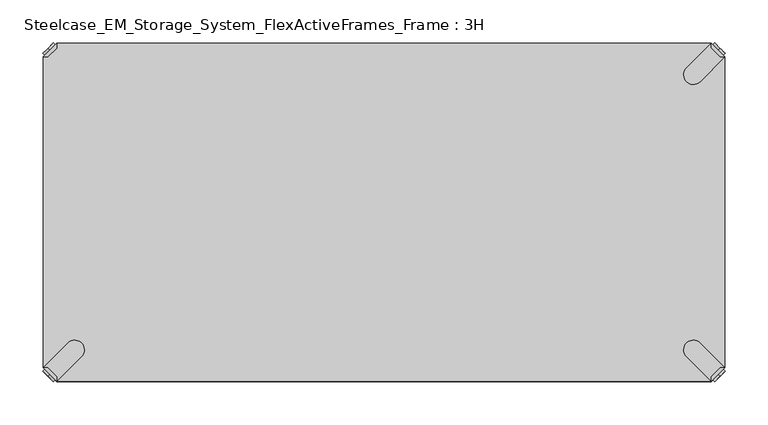
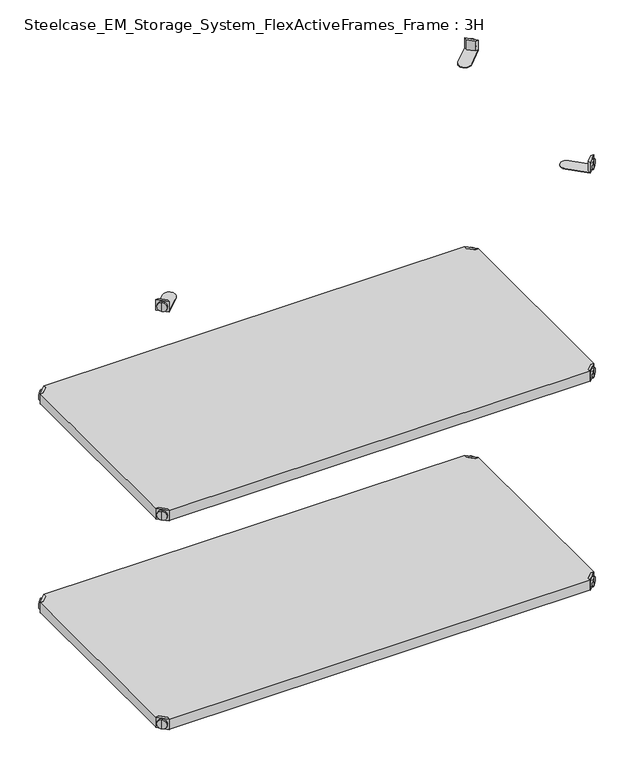
"""IFC4 building model written with IfcOpenShell, lengths in millimetres: furniture geometry, Steelcase_EM_Storage_System_FlexActiveFrames_Frame : 3H."""

from ifc_helpers import new_model, si_unit, frame, origin, place, context, project, spatial, polyline, circle_curve, outline, extrude, source, transform, mapped, element, save
from ifc_brep_helpers import plane_surface, cylinder_surface, advanced_brep


def steelcase_em_storage_system_flexactiveframes_frame_3h_38473c17(model_context):
    return source(origin(), model_context, "Body", "SolidModel", [
        advanced_brep(
        [(789.0398449, -10.9601551, 498.5), (789.0398449, -10.9601551, 507.0), (789.0398449, -10.9601551, 515.5), (791.1611652, -8.8388348, 498.5), (791.1611652, -8.8388348, 515.5), (791.1611652, -8.8388348, 507.0)],
        [
            (0, 1),
            (1, 2),
            (2, 0, circle_curve(frame((789.0398449, -10.9601551, 507.0), z_axis=(-0.7071067811865556, -0.7071067811865395, 0.0), x_axis=(0.0, 0.0, 1.0)), 8.5)),
            (0, 2, circle_curve(frame((789.0398449, -10.9601551, 507.0), z_axis=(-0.7071067811865556, -0.7071067811865395, 0.0), x_axis=(0.0, 0.0, 1.0)), 8.5)),
            (3, 0),
            (2, 4),
            (4, 3, circle_curve(frame((791.1611652, -8.8388348, 507.0), z_axis=(-0.7071067811865556, -0.7071067811865395, 0.0), x_axis=(0.0, 0.0, 1.0)), 8.5)),
            (3, 4, circle_curve(frame((791.1611652, -8.8388348, 507.0), z_axis=(-0.7071067811865556, -0.7071067811865395, 0.0), x_axis=(0.0, 0.0, 1.0)), 8.5)),
            (5, 3),
            (4, 5),
        ],
        [
            plane_surface(frame((789.0398449, -10.9601551, 507.0), z_axis=(-0.7071067811865552, -0.7071067811865399, 0.0), x_axis=(0.0, 0.0, 1.0))),
            cylinder_surface(frame((791.1611652, -8.8388348, 507.0), z_axis=(0.7071067811865556, 0.7071067811865395, 0.0), x_axis=(0.0, 0.0, 1.0)), 8.5),
            plane_surface(frame((791.1611652, -8.8388348, 507.0), z_axis=(0.7071067811865552, 0.7071067811865399, 0.0), x_axis=(0.0, 0.0, 1.0))),
        ],
        [
            (0, [[1, 2, 3]]),
            (0, [[-2, -1, 4]]),
            (1, [[5, -3, 6, 7]]),
            (1, [[-6, -4, -5, 8]]),
            (2, [[9, -7, 10]]),
            (2, [[-10, -8, -9]]),
        ],
    ),
        advanced_brep(
        [(781.0796898, -3.0, 517.0), (781.0796898, -8.6568542, 517.0), (791.3431458, -18.9203102, 517.0), (797.0, -18.9203102, 517.0), (797.0, -18.9203102, 498.0), (797.0, -18.9203102, 497.0), (781.0796898, -3.0, 497.0), (781.0796898, -3.0, 498.0), (781.0796898, -8.6568542, 498.0), (791.3431458, -18.9203102, 498.0), (752.2702923, -31.8093975, 498.0), (768.1906025, -47.7297077, 498.0), (768.1906025, -47.7297077, 497.0), (752.2702923, -31.8093975, 497.0)],
        [
            (0, 1),
            (1, 2),
            (2, 3),
            (3, 0),
            (3, 4),
            (4, 5),
            (5, 6),
            (6, 7),
            (7, 0),
            (1, 8),
            (8, 9),
            (9, 2),
            (7, 8),
            (9, 4),
            (7, 10),
            (10, 11, circle_curve(frame((760.2304474, -39.7695526, 498.0), z_axis=(0.0, 0.0, 1.0), x_axis=(-1.0, 0.0, 0.0)), 11.2573593)),
            (11, 4),
            (5, 12),
            (12, 13, circle_curve(frame((760.2304474, -39.7695526, 497.0), z_axis=(0.0, 0.0, -1.0), x_axis=(-1.0, 0.0, 0.0)), 11.2573593)),
            (13, 6),
            (11, 12),
            (10, 13),
        ],
        [
            plane_surface(frame((838.8756299, -60.7959401, 517.0), z_axis=(0.0, 0.0, 1.0000000000000002), x_axis=(0.7071067811865465, -0.7071067811865487, 0.0))),
            plane_surface(frame((781.0796898, -3.0, 517.0), z_axis=(0.7071067811865487, 0.7071067811865465, 0.0), x_axis=(0.0, 0.0, -1.0))),
            plane_surface(frame((791.3431458, -18.9203102, 517.0), z_axis=(-0.7071067811865573, -0.7071067811865377, 0.0), x_axis=(0.0, 0.0, -1.0))),
            plane_surface(frame((781.0796898, -8.6568542, 517.0), z_axis=(-1.0, 0.0, 0.0), x_axis=(0.0, 0.0, -1.0))),
            plane_surface(frame((797.0, -18.9203102, 517.0), z_axis=(0.0, -1.0, 0.0), x_axis=(0.0, 0.0, -1.0))),
            plane_surface(frame((797.0, -18.9203102, 498.0), z_axis=(0.0, 0.0, 1.0), x_axis=(0.7071067811865392, -0.7071067811865558, 0.0))),
            plane_surface(frame((797.0, -18.9203102, 497.0), z_axis=(0.0, 0.0, -1.0), x_axis=(-0.7071067811865392, 0.7071067811865558, 0.0))),
            plane_surface(frame((797.0, -18.9203102, 498.0), z_axis=(0.7071067811865399, -0.7071067811865552, 0.0), x_axis=(0.0, 0.0, -1.0))),
            cylinder_surface(frame((760.2304474, -39.7695526, 497.0), z_axis=(0.0, 0.0, 1.0), x_axis=(-1.0, 0.0, 0.0)), 11.2573593),
            plane_surface(frame((752.2702923, -31.8093975, 498.0), z_axis=(-0.7071067811865388, 0.7071067811865563, 0.0), x_axis=(0.0, 0.0, -1.0))),
        ],
        [
            (0, [[1, 2, 3, 4]]),
            (1, [[5, 6, 7, 8, 9, -4]]),
            (2, [[10, 11, 12, -2]]),
            (3, [[-9, 13, -10, -1]]),
            (4, [[-12, 14, -5, -3]]),
            (5, [[-14, -11, -13, 15, 16, 17]]),
            (6, [[-7, 18, 19, 20]]),
            (7, [[21, -18, -6, -17]]),
            (8, [[22, -19, -21, -16]]),
            (9, [[-8, -20, -22, -15]]),
        ],
    ),
        advanced_brep(
        [(789.0398449, -389.0398449, 498.5), (789.0398449, -389.0398449, 515.5), (789.0398449, -389.0398449, 507.0), (791.1611652, -391.1611652, 498.5), (791.1611652, -391.1611652, 515.5), (791.1611652, -391.1611652, 507.0)],
        [
            (0, 1, circle_curve(frame((789.0398449, -389.0398449, 507.0), z_axis=(-0.7071067811865509, 0.7071067811865441, 0.0), x_axis=(0.0, 0.0, 1.0)), 8.5)),
            (1, 2),
            (2, 0),
            (1, 0, circle_curve(frame((789.0398449, -389.0398449, 507.0), z_axis=(-0.7071067811865509, 0.7071067811865441, 0.0), x_axis=(0.0, 0.0, 1.0)), 8.5)),
            (3, 4, circle_curve(frame((791.1611652, -391.1611652, 507.0), z_axis=(-0.7071067811865509, 0.7071067811865441, 0.0), x_axis=(0.0, 0.0, 1.0)), 8.5)),
            (4, 1),
            (0, 3),
            (4, 3, circle_curve(frame((791.1611652, -391.1611652, 507.0), z_axis=(-0.7071067811865509, 0.7071067811865441, 0.0), x_axis=(0.0, 0.0, 1.0)), 8.5)),
            (5, 4),
            (3, 5),
        ],
        [
            plane_surface(frame((789.0398449, -389.0398449, 507.0), z_axis=(-0.7071067811865506, 0.7071067811865446, 0.0), x_axis=(0.0, 0.0, 1.0))),
            cylinder_surface(frame((791.1611652, -391.1611652, 507.0), z_axis=(0.7071067811865509, -0.7071067811865441, 0.0), x_axis=(0.0, 0.0, 1.0)), 8.5),
            plane_surface(frame((791.1611652, -391.1611652, 507.0), z_axis=(0.7071067811865506, -0.7071067811865446, 0.0), x_axis=(0.0, 0.0, 1.0))),
        ],
        [
            (0, [[1, 2, 3]]),
            (0, [[4, -3, -2]]),
            (1, [[5, 6, -1, 7]]),
            (1, [[8, -7, -4, -6]]),
            (2, [[9, -5, 10]]),
            (2, [[-10, -8, -9]]),
        ],
    ),
        advanced_brep(
        [(781.0796898, -397.0, 517.0), (797.0, -381.0796898, 517.0), (791.3431458, -381.0796898, 517.0), (781.0796898, -391.3431458, 517.0), (781.0796898, -397.0, 498.0), (781.0796898, -397.0, 497.0), (797.0, -381.0796898, 497.0), (797.0, -381.0796898, 498.0), (791.3431458, -381.0796898, 498.0), (781.0796898, -391.3431458, 498.0), (768.1906025, -352.2702923, 498.0), (752.2702923, -368.1906025, 498.0), (752.2702923, -368.1906025, 497.0), (768.1906025, -352.2702923, 497.0)],
        [
            (0, 1),
            (1, 2),
            (2, 3),
            (3, 0),
            (0, 4),
            (4, 5),
            (5, 6),
            (6, 7),
            (7, 1),
            (2, 8),
            (8, 9),
            (9, 3),
            (9, 4),
            (7, 8),
            (7, 10),
            (10, 11, circle_curve(frame((760.2304474, -360.2304474, 498.0), z_axis=(0.0, 0.0, 1.0), x_axis=(-1.0, 0.0, 0.0)), 11.2573593)),
            (11, 4),
            (5, 12),
            (12, 13, circle_curve(frame((760.2304474, -360.2304474, 497.0), z_axis=(0.0, 0.0, -1.0), x_axis=(-1.0, 0.0, 0.0)), 11.2573593)),
            (13, 6),
            (13, 10),
            (12, 11),
        ],
        [
            plane_surface(frame((838.8756299, -339.2040599, 517.0), z_axis=(0.0, 0.0, 1.0000000000000002), x_axis=(0.7071067811865511, 0.707106781186544, 0.0))),
            plane_surface(frame((781.0796898, -397.0, 517.0), z_axis=(0.707106781186544, -0.7071067811865511, 0.0), x_axis=(0.0, 0.0, -1.0))),
            plane_surface(frame((791.3431458, -381.0796898, 517.0), z_axis=(-0.7071067811865527, 0.7071067811865424, 0.0), x_axis=(0.0, 0.0, -1.0))),
            plane_surface(frame((781.0796898, -391.3431458, 517.0), z_axis=(-1.0, 0.0, 0.0), x_axis=(0.0, 0.0, -1.0))),
            plane_surface(frame((797.0, -381.0796898, 517.0), z_axis=(0.0, 1.0, 0.0), x_axis=(0.0, 0.0, -1.0))),
            plane_surface(frame((797.0, -381.0796898, 498.0), z_axis=(0.0, 0.0, 1.0), x_axis=(0.7071067811865439, 0.7071067811865511, 0.0))),
            plane_surface(frame((797.0, -381.0796898, 497.0), z_axis=(0.0, 0.0, -1.0), x_axis=(-0.7071067811865439, -0.7071067811865511, 0.0))),
            plane_surface(frame((797.0, -381.0796898, 498.0), z_axis=(0.7071067811865446, 0.7071067811865506, 0.0), x_axis=(0.0, 0.0, -1.0))),
            cylinder_surface(frame((760.2304474, -360.2304474, 497.0), z_axis=(0.0, 0.0, 1.0), x_axis=(-1.0, 0.0, 0.0)), 11.2573593),
            plane_surface(frame((752.2702923, -368.1906025, 498.0), z_axis=(-0.7071067811865435, -0.7071067811865517, 0.0), x_axis=(0.0, 0.0, -1.0))),
        ],
        [
            (0, [[1, 2, 3, 4]]),
            (1, [[-1, 5, 6, 7, 8, 9]]),
            (2, [[-3, 10, 11, 12]]),
            (3, [[-4, -12, 13, -5]]),
            (4, [[-2, -9, 14, -10]]),
            (5, [[15, 16, 17, -13, -11, -14]]),
            (6, [[18, 19, 20, -7]]),
            (7, [[-15, -8, -20, 21]]),
            (8, [[-16, -21, -19, 22]]),
            (9, [[-17, -22, -18, -6]]),
        ],
    ),
        advanced_brep(
        [(10.9601551, -389.0398449, 498.5), (10.9601551, -389.0398449, 507.0), (10.9601551, -389.0398449, 515.5), (8.8388348, -391.1611652, 498.5), (8.8388348, -391.1611652, 515.5), (8.8388348, -391.1611652, 507.0)],
        [
            (0, 1),
            (1, 2),
            (2, 0, circle_curve(frame((10.9601551, -389.0398449, 507.0), z_axis=(0.7071067811865509, 0.7071067811865441, 0.0), x_axis=(0.0, 0.0, 1.0)), 8.5)),
            (0, 2, circle_curve(frame((10.9601551, -389.0398449, 507.0), z_axis=(0.7071067811865509, 0.7071067811865441, 0.0), x_axis=(0.0, 0.0, 1.0)), 8.5)),
            (3, 0),
            (2, 4),
            (4, 3, circle_curve(frame((8.8388348, -391.1611652, 507.0), z_axis=(0.7071067811865509, 0.7071067811865441, 0.0), x_axis=(0.0, 0.0, 1.0)), 8.5)),
            (3, 4, circle_curve(frame((8.8388348, -391.1611652, 507.0), z_axis=(0.7071067811865509, 0.7071067811865441, 0.0), x_axis=(0.0, 0.0, 1.0)), 8.5)),
            (5, 3),
            (4, 5),
        ],
        [
            plane_surface(frame((10.9601551, -389.0398449, 507.0), z_axis=(0.7071067811865506, 0.7071067811865446, 0.0), x_axis=(0.0, 0.0, 1.0))),
            cylinder_surface(frame((8.8388348, -391.1611652, 507.0), z_axis=(-0.7071067811865509, -0.7071067811865441, 0.0), x_axis=(0.0, 0.0, 1.0)), 8.5),
            plane_surface(frame((8.8388348, -391.1611652, 507.0), z_axis=(-0.7071067811865506, -0.7071067811865446, 0.0), x_axis=(0.0, 0.0, 1.0))),
        ],
        [
            (0, [[1, 2, 3]]),
            (0, [[-2, -1, 4]]),
            (1, [[5, -3, 6, 7]]),
            (1, [[-6, -4, -5, 8]]),
            (2, [[9, -7, 10]]),
            (2, [[-10, -8, -9]]),
        ],
    ),
        advanced_brep(
        [(18.9203102, -397.0, 517.0), (18.9203102, -391.3431458, 517.0), (8.6568542, -381.0796898, 517.0), (3.0, -381.0796898, 517.0), (3.0, -381.0796898, 498.0), (3.0, -381.0796898, 497.0), (18.9203102, -397.0, 497.0), (18.9203102, -397.0, 498.0), (18.9203102, -391.3431458, 498.0), (8.6568542, -381.0796898, 498.0), (47.7297077, -368.1906025, 498.0), (31.8093975, -352.2702923, 498.0), (31.8093975, -352.2702923, 497.0), (47.7297077, -368.1906025, 497.0)],
        [
            (0, 1),
            (1, 2),
            (2, 3),
            (3, 0),
            (3, 4),
            (4, 5),
            (5, 6),
            (6, 7),
            (7, 0),
            (1, 8),
            (8, 9),
            (9, 2),
            (7, 8),
            (9, 4),
            (7, 10),
            (10, 11, circle_curve(frame((39.7695526, -360.2304474, 498.0), z_axis=(0.0, 0.0, 1.0), x_axis=(1.0, 0.0, 0.0)), 11.2573593)),
            (11, 4),
            (5, 12),
            (12, 13, circle_curve(frame((39.7695526, -360.2304474, 497.0), z_axis=(0.0, 0.0, -1.0), x_axis=(1.0, 0.0, 0.0)), 11.2573593)),
            (13, 6),
            (11, 12),
            (10, 13),
        ],
        [
            plane_surface(frame((-38.8756299, -339.2040599, 517.0), z_axis=(0.0, 0.0, 1.0000000000000002), x_axis=(-0.7071067811865511, 0.707106781186544, 0.0))),
            plane_surface(frame((18.9203102, -397.0, 517.0), z_axis=(-0.707106781186544, -0.7071067811865511, 0.0), x_axis=(0.0, 0.0, -1.0))),
            plane_surface(frame((8.6568542, -381.0796898, 517.0), z_axis=(0.7071067811865527, 0.7071067811865424, 0.0), x_axis=(0.0, 0.0, -1.0))),
            plane_surface(frame((18.9203102, -391.3431458, 517.0), z_axis=(1.0, 0.0, 0.0), x_axis=(0.0, 0.0, -1.0))),
            plane_surface(frame((3.0, -381.0796898, 517.0), z_axis=(0.0, 1.0, 0.0), x_axis=(0.0, 0.0, -1.0))),
            plane_surface(frame((3.0, -381.0796898, 498.0), z_axis=(0.0, 0.0, 1.0), x_axis=(-0.7071067811865439, 0.7071067811865511, 0.0))),
            plane_surface(frame((3.0, -381.0796898, 497.0), z_axis=(0.0, 0.0, -1.0), x_axis=(0.7071067811865439, -0.7071067811865511, 0.0))),
            plane_surface(frame((3.0, -381.0796898, 498.0), z_axis=(-0.7071067811865446, 0.7071067811865506, 0.0), x_axis=(0.0, 0.0, -1.0))),
            cylinder_surface(frame((39.7695526, -360.2304474, 497.0), z_axis=(0.0, 0.0, 1.0), x_axis=(1.0, 0.0, 0.0)), 11.2573593),
            plane_surface(frame((47.7297077, -368.1906025, 498.0), z_axis=(0.7071067811865435, -0.7071067811865517, 0.0), x_axis=(0.0, 0.0, -1.0))),
        ],
        [
            (0, [[1, 2, 3, 4]]),
            (1, [[5, 6, 7, 8, 9, -4]]),
            (2, [[10, 11, 12, -2]]),
            (3, [[-9, 13, -10, -1]]),
            (4, [[-12, 14, -5, -3]]),
            (5, [[-14, -11, -13, 15, 16, 17]]),
            (6, [[-7, 18, 19, 20]]),
            (7, [[21, -18, -6, -17]]),
            (8, [[22, -19, -21, -16]]),
            (9, [[-8, -20, -22, -15]]),
        ],
    ),
        advanced_brep(
        [(10.9601551, -10.9601551, 498.5), (10.9601551, -10.9601551, 515.5), (10.9601551, -10.9601551, 507.0), (8.8388348, -8.8388348, 498.5), (8.8388348, -8.8388348, 515.5), (8.8388348, -8.8388348, 507.0)],
        [
            (0, 1, circle_curve(frame((10.9601551, -10.9601551, 507.0), z_axis=(0.7071067811865464, -0.7071067811865487, 0.0), x_axis=(0.0, 0.0, 1.0)), 8.5)),
            (1, 2),
            (2, 0),
            (1, 0, circle_curve(frame((10.9601551, -10.9601551, 507.0), z_axis=(0.7071067811865464, -0.7071067811865487, 0.0), x_axis=(0.0, 0.0, 1.0)), 8.5)),
            (3, 4, circle_curve(frame((8.8388348, -8.8388348, 507.0), z_axis=(0.7071067811865464, -0.7071067811865487, 0.0), x_axis=(0.0, 0.0, 1.0)), 8.5)),
            (4, 1),
            (0, 3),
            (4, 3, circle_curve(frame((8.8388348, -8.8388348, 507.0), z_axis=(0.7071067811865464, -0.7071067811865487, 0.0), x_axis=(0.0, 0.0, 1.0)), 8.5)),
            (5, 4),
            (3, 5),
        ],
        [
            plane_surface(frame((10.9601551, -10.9601551, 507.0), z_axis=(0.707106781186546, -0.7071067811865491, 0.0), x_axis=(0.0, 0.0, 1.0))),
            cylinder_surface(frame((8.8388348, -8.8388348, 507.0), z_axis=(-0.7071067811865464, 0.7071067811865487, 0.0), x_axis=(0.0, 0.0, 1.0)), 8.5),
            plane_surface(frame((8.8388348, -8.8388348, 507.0), z_axis=(-0.707106781186546, 0.7071067811865491, 0.0), x_axis=(0.0, 0.0, 1.0))),
        ],
        [
            (0, [[1, 2, 3]]),
            (0, [[4, -3, -2]]),
            (1, [[5, 6, -1, 7]]),
            (1, [[8, -7, -4, -6]]),
            (2, [[9, -5, 10]]),
            (2, [[-10, -8, -9]]),
        ],
    ),
        advanced_brep(
        [(18.9203102, -3.0, 517.0), (3.0, -18.9203102, 517.0), (8.6568542, -18.9203102, 517.0), (18.9203102, -8.6568542, 517.0), (18.9203102, -3.0, 498.0), (18.9203102, -3.0, 497.0), (3.0, -18.9203102, 497.0), (3.0, -18.9203102, 498.0), (8.6568542, -18.9203102, 498.0), (18.9203102, -8.6568542, 498.0), (31.8093975, -47.7297077, 498.0), (47.7297077, -31.8093975, 498.0), (47.7297077, -31.8093975, 497.0), (31.8093975, -47.7297077, 497.0)],
        [
            (0, 1),
            (1, 2),
            (2, 3),
            (3, 0),
            (0, 4),
            (4, 5),
            (5, 6),
            (6, 7),
            (7, 1),
            (2, 8),
            (8, 9),
            (9, 3),
            (9, 4),
            (7, 8),
            (7, 10),
            (10, 11, circle_curve(frame((39.7695526, -39.7695526, 498.0), z_axis=(0.0, 0.0, 1.0), x_axis=(1.0, 0.0, 0.0)), 11.2573593)),
            (11, 4),
            (5, 12),
            (12, 13, circle_curve(frame((39.7695526, -39.7695526, 497.0), z_axis=(0.0, 0.0, -1.0), x_axis=(1.0, 0.0, 0.0)), 11.2573593)),
            (13, 6),
            (13, 10),
            (12, 11),
        ],
        [
            plane_surface(frame((-38.8756299, -60.7959401, 517.0), z_axis=(0.0, 0.0, 1.0000000000000002), x_axis=(-0.7071067811865557, -0.7071067811865395, 0.0))),
            plane_surface(frame((18.9203102, -3.0, 517.0), z_axis=(-0.7071067811865395, 0.7071067811865557, 0.0), x_axis=(0.0, 0.0, -1.0))),
            plane_surface(frame((8.6568542, -18.9203102, 517.0), z_axis=(0.7071067811865481, -0.7071067811865469, 0.0), x_axis=(0.0, 0.0, -1.0))),
            plane_surface(frame((18.9203102, -8.6568542, 517.0), z_axis=(1.0, 0.0, 0.0), x_axis=(0.0, 0.0, -1.0))),
            plane_surface(frame((3.0, -18.9203102, 517.0), z_axis=(0.0, -1.0, 0.0), x_axis=(0.0, 0.0, -1.0))),
            plane_surface(frame((3.0, -18.9203102, 498.0), z_axis=(0.0, 0.0, 1.0), x_axis=(-0.7071067811865485, -0.7071067811865466, 0.0))),
            plane_surface(frame((3.0, -18.9203102, 497.0), z_axis=(0.0, 0.0, -1.0), x_axis=(0.7071067811865485, 0.7071067811865466, 0.0))),
            plane_surface(frame((3.0, -18.9203102, 498.0), z_axis=(-0.7071067811865491, -0.707106781186546, 0.0), x_axis=(0.0, 0.0, -1.0))),
            cylinder_surface(frame((39.7695526, -39.7695526, 497.0), z_axis=(0.0, 0.0, 1.0), x_axis=(1.0, 0.0, 0.0)), 11.2573593),
            plane_surface(frame((47.7297077, -31.8093975, 498.0), z_axis=(0.707106781186548, 0.7071067811865471, 0.0), x_axis=(0.0, 0.0, -1.0))),
        ],
        [
            (0, [[1, 2, 3, 4]]),
            (1, [[-1, 5, 6, 7, 8, 9]]),
            (2, [[-3, 10, 11, 12]]),
            (3, [[-4, -12, 13, -5]]),
            (4, [[-2, -9, 14, -10]]),
            (5, [[15, 16, 17, -13, -11, -14]]),
            (6, [[18, 19, 20, -7]]),
            (7, [[-15, -8, -20, 21]]),
            (8, [[-16, -21, -19, 22]]),
            (9, [[-17, -22, -18, -6]]),
        ],
    ),
        extrude(outline(polyline([(781.0796898, -3.0), (781.0796898, -8.6568542), (791.3431458, -18.9203102), (797.0, -18.9203102), (797.0, -381.0796898), (791.3431458, -381.0796898), (781.0796898, -391.3431458), (781.0796898, -397.0), (18.9203102, -397.0), (18.9203102, -391.3431458), (8.6568542, -381.0796898), (3.0, -381.0796898), (3.0, -18.9203102), (8.6568542, -18.9203102), (18.9203102, -8.6568542), (18.9203102, -3.0), (781.0796898, -3.0)])), frame((0.0, 0.0, 498.0), z_axis=(0.0, 0.0, 1.0), x_axis=(1.0, 0.0, 0.0)), (0.0, 0.0, 1.0), 19.0),
        advanced_brep(
        [(789.0398449, -10.9601551, 898.5), (789.0398449, -10.9601551, 907.0), (789.0398449, -10.9601551, 915.5), (791.1611652, -8.8388348, 898.5), (791.1611652, -8.8388348, 915.5), (791.1611652, -8.8388348, 907.0)],
        [
            (0, 1),
            (1, 2),
            (2, 0, circle_curve(frame((789.0398449, -10.9601551, 907.0), z_axis=(-0.7071067811865556, -0.7071067811865395, 0.0), x_axis=(0.0, 0.0, 1.0)), 8.5)),
            (0, 2, circle_curve(frame((789.0398449, -10.9601551, 907.0), z_axis=(-0.7071067811865556, -0.7071067811865395, 0.0), x_axis=(0.0, 0.0, 1.0)), 8.5)),
            (3, 0),
            (2, 4),
            (4, 3, circle_curve(frame((791.1611652, -8.8388348, 907.0), z_axis=(-0.7071067811865556, -0.7071067811865395, 0.0), x_axis=(0.0, 0.0, 1.0)), 8.5)),
            (3, 4, circle_curve(frame((791.1611652, -8.8388348, 907.0), z_axis=(-0.7071067811865556, -0.7071067811865395, 0.0), x_axis=(0.0, 0.0, 1.0)), 8.5)),
            (5, 3),
            (4, 5),
        ],
        [
            plane_surface(frame((789.0398449, -10.9601551, 907.0), z_axis=(-0.7071067811865552, -0.7071067811865399, 0.0), x_axis=(0.0, 0.0, 1.0))),
            cylinder_surface(frame((791.1611652, -8.8388348, 907.0), z_axis=(0.7071067811865556, 0.7071067811865395, 0.0), x_axis=(0.0, 0.0, 1.0)), 8.5),
            plane_surface(frame((791.1611652, -8.8388348, 907.0), z_axis=(0.7071067811865552, 0.7071067811865399, 0.0), x_axis=(0.0, 0.0, 1.0))),
        ],
        [
            (0, [[1, 2, 3]]),
            (0, [[-2, -1, 4]]),
            (1, [[5, -3, 6, 7]]),
            (1, [[-6, -4, -5, 8]]),
            (2, [[9, -7, 10]]),
            (2, [[-10, -8, -9]]),
        ],
    ),
        advanced_brep(
        [(781.0796898, -3.0, 917.0), (781.0796898, -8.6568542, 917.0), (791.3431458, -18.9203102, 917.0), (797.0, -18.9203102, 917.0), (797.0, -18.9203102, 898.0), (797.0, -18.9203102, 897.0), (781.0796898, -3.0, 897.0), (781.0796898, -3.0, 898.0), (781.0796898, -8.6568542, 898.0), (791.3431458, -18.9203102, 898.0), (752.2702923, -31.8093975, 898.0), (768.1906025, -47.7297077, 898.0), (768.1906025, -47.7297077, 897.0), (752.2702923, -31.8093975, 897.0)],
        [
            (0, 1),
            (1, 2),
            (2, 3),
            (3, 0),
            (3, 4),
            (4, 5),
            (5, 6),
            (6, 7),
            (7, 0),
            (1, 8),
            (8, 9),
            (9, 2),
            (7, 8),
            (9, 4),
            (7, 10),
            (10, 11, circle_curve(frame((760.2304474, -39.7695526, 898.0), z_axis=(0.0, 0.0, 1.0), x_axis=(-1.0, 0.0, 0.0)), 11.2573593)),
            (11, 4),
            (5, 12),
            (12, 13, circle_curve(frame((760.2304474, -39.7695526, 897.0), z_axis=(0.0, 0.0, -1.0), x_axis=(-1.0, 0.0, 0.0)), 11.2573593)),
            (13, 6),
            (11, 12),
            (10, 13),
        ],
        [
            plane_surface(frame((838.8756299, -60.7959401, 917.0), z_axis=(0.0, 0.0, 1.0000000000000002), x_axis=(0.7071067811865465, -0.7071067811865487, 0.0))),
            plane_surface(frame((781.0796898, -3.0, 917.0), z_axis=(0.7071067811865487, 0.7071067811865465, 0.0), x_axis=(0.0, 0.0, -1.0))),
            plane_surface(frame((791.3431458, -18.9203102, 917.0), z_axis=(-0.7071067811865573, -0.7071067811865377, 0.0), x_axis=(0.0, 0.0, -1.0))),
            plane_surface(frame((781.0796898, -8.6568542, 917.0), z_axis=(-1.0, 0.0, 0.0), x_axis=(0.0, 0.0, -1.0))),
            plane_surface(frame((797.0, -18.9203102, 917.0), z_axis=(0.0, -1.0, 0.0), x_axis=(0.0, 0.0, -1.0))),
            plane_surface(frame((797.0, -18.9203102, 898.0), z_axis=(0.0, 0.0, 1.0), x_axis=(0.7071067811865392, -0.7071067811865558, 0.0))),
            plane_surface(frame((797.0, -18.9203102, 897.0), z_axis=(0.0, 0.0, -1.0), x_axis=(-0.7071067811865392, 0.7071067811865558, 0.0))),
            plane_surface(frame((797.0, -18.9203102, 898.0), z_axis=(0.7071067811865399, -0.7071067811865552, 0.0), x_axis=(0.0, 0.0, -1.0))),
            cylinder_surface(frame((760.2304474, -39.7695526, 897.0), z_axis=(0.0, 0.0, 1.0), x_axis=(-1.0, 0.0, 0.0)), 11.2573593),
            plane_surface(frame((752.2702923, -31.8093975, 898.0), z_axis=(-0.7071067811865388, 0.7071067811865563, 0.0), x_axis=(0.0, 0.0, -1.0))),
        ],
        [
            (0, [[1, 2, 3, 4]]),
            (1, [[5, 6, 7, 8, 9, -4]]),
            (2, [[10, 11, 12, -2]]),
            (3, [[-9, 13, -10, -1]]),
            (4, [[-12, 14, -5, -3]]),
            (5, [[-14, -11, -13, 15, 16, 17]]),
            (6, [[-7, 18, 19, 20]]),
            (7, [[21, -18, -6, -17]]),
            (8, [[22, -19, -21, -16]]),
            (9, [[-8, -20, -22, -15]]),
        ],
    ),
        advanced_brep(
        [(789.0398449, -389.0398449, 898.5), (789.0398449, -389.0398449, 915.5), (789.0398449, -389.0398449, 907.0), (791.1611652, -391.1611652, 898.5), (791.1611652, -391.1611652, 915.5), (791.1611652, -391.1611652, 907.0)],
        [
            (0, 1, circle_curve(frame((789.0398449, -389.0398449, 907.0), z_axis=(-0.7071067811865509, 0.7071067811865441, 0.0), x_axis=(0.0, 0.0, 1.0)), 8.5)),
            (1, 2),
            (2, 0),
            (1, 0, circle_curve(frame((789.0398449, -389.0398449, 907.0), z_axis=(-0.7071067811865509, 0.7071067811865441, 0.0), x_axis=(0.0, 0.0, 1.0)), 8.5)),
            (3, 4, circle_curve(frame((791.1611652, -391.1611652, 907.0), z_axis=(-0.7071067811865509, 0.7071067811865441, 0.0), x_axis=(0.0, 0.0, 1.0)), 8.5)),
            (4, 1),
            (0, 3),
            (4, 3, circle_curve(frame((791.1611652, -391.1611652, 907.0), z_axis=(-0.7071067811865509, 0.7071067811865441, 0.0), x_axis=(0.0, 0.0, 1.0)), 8.5)),
            (5, 4),
            (3, 5),
        ],
        [
            plane_surface(frame((789.0398449, -389.0398449, 907.0), z_axis=(-0.7071067811865506, 0.7071067811865446, 0.0), x_axis=(0.0, 0.0, 1.0))),
            cylinder_surface(frame((791.1611652, -391.1611652, 907.0), z_axis=(0.7071067811865509, -0.7071067811865441, 0.0), x_axis=(0.0, 0.0, 1.0)), 8.5),
            plane_surface(frame((791.1611652, -391.1611652, 907.0), z_axis=(0.7071067811865506, -0.7071067811865446, 0.0), x_axis=(0.0, 0.0, 1.0))),
        ],
        [
            (0, [[1, 2, 3]]),
            (0, [[4, -3, -2]]),
            (1, [[5, 6, -1, 7]]),
            (1, [[8, -7, -4, -6]]),
            (2, [[9, -5, 10]]),
            (2, [[-10, -8, -9]]),
        ],
    ),
        advanced_brep(
        [(781.0796898, -397.0, 917.0), (797.0, -381.0796898, 917.0), (791.3431458, -381.0796898, 917.0), (781.0796898, -391.3431458, 917.0), (781.0796898, -397.0, 898.0), (781.0796898, -397.0, 897.0), (797.0, -381.0796898, 897.0), (797.0, -381.0796898, 898.0), (791.3431458, -381.0796898, 898.0), (781.0796898, -391.3431458, 898.0), (768.1906025, -352.2702923, 898.0), (752.2702923, -368.1906025, 898.0), (752.2702923, -368.1906025, 897.0), (768.1906025, -352.2702923, 897.0)],
        [
            (0, 1),
            (1, 2),
            (2, 3),
            (3, 0),
            (0, 4),
            (4, 5),
            (5, 6),
            (6, 7),
            (7, 1),
            (2, 8),
            (8, 9),
            (9, 3),
            (9, 4),
            (7, 8),
            (7, 10),
            (10, 11, circle_curve(frame((760.2304474, -360.2304474, 898.0), z_axis=(0.0, 0.0, 1.0), x_axis=(-1.0, 0.0, 0.0)), 11.2573593)),
            (11, 4),
            (5, 12),
            (12, 13, circle_curve(frame((760.2304474, -360.2304474, 897.0), z_axis=(0.0, 0.0, -1.0), x_axis=(-1.0, 0.0, 0.0)), 11.2573593)),
            (13, 6),
            (13, 10),
            (12, 11),
        ],
        [
            plane_surface(frame((838.8756299, -339.2040599, 917.0), z_axis=(0.0, 0.0, 1.0000000000000002), x_axis=(0.7071067811865511, 0.707106781186544, 0.0))),
            plane_surface(frame((781.0796898, -397.0, 917.0), z_axis=(0.707106781186544, -0.7071067811865511, 0.0), x_axis=(0.0, 0.0, -1.0))),
            plane_surface(frame((791.3431458, -381.0796898, 917.0), z_axis=(-0.7071067811865527, 0.7071067811865424, 0.0), x_axis=(0.0, 0.0, -1.0))),
            plane_surface(frame((781.0796898, -391.3431458, 917.0), z_axis=(-1.0, 0.0, 0.0), x_axis=(0.0, 0.0, -1.0))),
            plane_surface(frame((797.0, -381.0796898, 917.0), z_axis=(0.0, 1.0, 0.0), x_axis=(0.0, 0.0, -1.0))),
            plane_surface(frame((797.0, -381.0796898, 898.0), z_axis=(0.0, 0.0, 1.0), x_axis=(0.7071067811865439, 0.7071067811865511, 0.0))),
            plane_surface(frame((797.0, -381.0796898, 897.0), z_axis=(0.0, 0.0, -1.0), x_axis=(-0.7071067811865439, -0.7071067811865511, 0.0))),
            plane_surface(frame((797.0, -381.0796898, 898.0), z_axis=(0.7071067811865446, 0.7071067811865506, 0.0), x_axis=(0.0, 0.0, -1.0))),
            cylinder_surface(frame((760.2304474, -360.2304474, 897.0), z_axis=(0.0, 0.0, 1.0), x_axis=(-1.0, 0.0, 0.0)), 11.2573593),
            plane_surface(frame((752.2702923, -368.1906025, 898.0), z_axis=(-0.7071067811865435, -0.7071067811865517, 0.0), x_axis=(0.0, 0.0, -1.0))),
        ],
        [
            (0, [[1, 2, 3, 4]]),
            (1, [[-1, 5, 6, 7, 8, 9]]),
            (2, [[-3, 10, 11, 12]]),
            (3, [[-4, -12, 13, -5]]),
            (4, [[-2, -9, 14, -10]]),
            (5, [[15, 16, 17, -13, -11, -14]]),
            (6, [[18, 19, 20, -7]]),
            (7, [[-15, -8, -20, 21]]),
            (8, [[-16, -21, -19, 22]]),
            (9, [[-17, -22, -18, -6]]),
        ],
    ),
        advanced_brep(
        [(10.9601551, -389.0398449, 898.5), (10.9601551, -389.0398449, 907.0), (10.9601551, -389.0398449, 915.5), (8.8388348, -391.1611652, 898.5), (8.8388348, -391.1611652, 915.5), (8.8388348, -391.1611652, 907.0)],
        [
            (0, 1),
            (1, 2),
            (2, 0, circle_curve(frame((10.9601551, -389.0398449, 907.0), z_axis=(0.7071067811865509, 0.7071067811865441, 0.0), x_axis=(0.0, 0.0, 1.0)), 8.5)),
            (0, 2, circle_curve(frame((10.9601551, -389.0398449, 907.0), z_axis=(0.7071067811865509, 0.7071067811865441, 0.0), x_axis=(0.0, 0.0, 1.0)), 8.5)),
            (3, 0),
            (2, 4),
            (4, 3, circle_curve(frame((8.8388348, -391.1611652, 907.0), z_axis=(0.7071067811865509, 0.7071067811865441, 0.0), x_axis=(0.0, 0.0, 1.0)), 8.5)),
            (3, 4, circle_curve(frame((8.8388348, -391.1611652, 907.0), z_axis=(0.7071067811865509, 0.7071067811865441, 0.0), x_axis=(0.0, 0.0, 1.0)), 8.5)),
            (5, 3),
            (4, 5),
        ],
        [
            plane_surface(frame((10.9601551, -389.0398449, 907.0), z_axis=(0.7071067811865506, 0.7071067811865446, 0.0), x_axis=(0.0, 0.0, 1.0))),
            cylinder_surface(frame((8.8388348, -391.1611652, 907.0), z_axis=(-0.7071067811865509, -0.7071067811865441, 0.0), x_axis=(0.0, 0.0, 1.0)), 8.5),
            plane_surface(frame((8.8388348, -391.1611652, 907.0), z_axis=(-0.7071067811865506, -0.7071067811865446, 0.0), x_axis=(0.0, 0.0, 1.0))),
        ],
        [
            (0, [[1, 2, 3]]),
            (0, [[-2, -1, 4]]),
            (1, [[5, -3, 6, 7]]),
            (1, [[-6, -4, -5, 8]]),
            (2, [[9, -7, 10]]),
            (2, [[-10, -8, -9]]),
        ],
    ),
        advanced_brep(
        [(18.9203102, -397.0, 917.0), (18.9203102, -391.3431458, 917.0), (8.6568542, -381.0796898, 917.0), (3.0, -381.0796898, 917.0), (3.0, -381.0796898, 898.0), (3.0, -381.0796898, 897.0), (18.9203102, -397.0, 897.0), (18.9203102, -397.0, 898.0), (18.9203102, -391.3431458, 898.0), (8.6568542, -381.0796898, 898.0), (47.7297077, -368.1906025, 898.0), (31.8093975, -352.2702923, 898.0), (31.8093975, -352.2702923, 897.0), (47.7297077, -368.1906025, 897.0)],
        [
            (0, 1),
            (1, 2),
            (2, 3),
            (3, 0),
            (3, 4),
            (4, 5),
            (5, 6),
            (6, 7),
            (7, 0),
            (1, 8),
            (8, 9),
            (9, 2),
            (7, 8),
            (9, 4),
            (7, 10),
            (10, 11, circle_curve(frame((39.7695526, -360.2304474, 898.0), z_axis=(0.0, 0.0, 1.0), x_axis=(1.0, 0.0, 0.0)), 11.2573593)),
            (11, 4),
            (5, 12),
            (12, 13, circle_curve(frame((39.7695526, -360.2304474, 897.0), z_axis=(0.0, 0.0, -1.0), x_axis=(1.0, 0.0, 0.0)), 11.2573593)),
            (13, 6),
            (11, 12),
            (10, 13),
        ],
        [
            plane_surface(frame((-38.8756299, -339.2040599, 917.0), z_axis=(0.0, 0.0, 1.0000000000000002), x_axis=(-0.7071067811865511, 0.707106781186544, 0.0))),
            plane_surface(frame((18.9203102, -397.0, 917.0), z_axis=(-0.707106781186544, -0.7071067811865511, 0.0), x_axis=(0.0, 0.0, -1.0))),
            plane_surface(frame((8.6568542, -381.0796898, 917.0), z_axis=(0.7071067811865527, 0.7071067811865424, 0.0), x_axis=(0.0, 0.0, -1.0))),
            plane_surface(frame((18.9203102, -391.3431458, 917.0), z_axis=(1.0, 0.0, 0.0), x_axis=(0.0, 0.0, -1.0))),
            plane_surface(frame((3.0, -381.0796898, 917.0), z_axis=(0.0, 1.0, 0.0), x_axis=(0.0, 0.0, -1.0))),
            plane_surface(frame((3.0, -381.0796898, 898.0), z_axis=(0.0, 0.0, 1.0), x_axis=(-0.7071067811865439, 0.7071067811865511, 0.0))),
            plane_surface(frame((3.0, -381.0796898, 897.0), z_axis=(0.0, 0.0, -1.0), x_axis=(0.7071067811865439, -0.7071067811865511, 0.0))),
            plane_surface(frame((3.0, -381.0796898, 898.0), z_axis=(-0.7071067811865446, 0.7071067811865506, 0.0), x_axis=(0.0, 0.0, -1.0))),
            cylinder_surface(frame((39.7695526, -360.2304474, 897.0), z_axis=(0.0, 0.0, 1.0), x_axis=(1.0, 0.0, 0.0)), 11.2573593),
            plane_surface(frame((47.7297077, -368.1906025, 898.0), z_axis=(0.7071067811865435, -0.7071067811865517, 0.0), x_axis=(0.0, 0.0, -1.0))),
        ],
        [
            (0, [[1, 2, 3, 4]]),
            (1, [[5, 6, 7, 8, 9, -4]]),
            (2, [[10, 11, 12, -2]]),
            (3, [[-9, 13, -10, -1]]),
            (4, [[-12, 14, -5, -3]]),
            (5, [[-14, -11, -13, 15, 16, 17]]),
            (6, [[-7, 18, 19, 20]]),
            (7, [[21, -18, -6, -17]]),
            (8, [[22, -19, -21, -16]]),
            (9, [[-8, -20, -22, -15]]),
        ],
    ),
        advanced_brep(
        [(10.9601551, -10.9601551, 898.5), (10.9601551, -10.9601551, 915.5), (10.9601551, -10.9601551, 907.0), (8.8388348, -8.8388348, 898.5), (8.8388348, -8.8388348, 915.5), (8.8388348, -8.8388348, 907.0)],
        [
            (0, 1, circle_curve(frame((10.9601551, -10.9601551, 907.0), z_axis=(0.7071067811865464, -0.7071067811865487, 0.0), x_axis=(0.0, 0.0, 1.0)), 8.5)),
            (1, 2),
            (2, 0),
            (1, 0, circle_curve(frame((10.9601551, -10.9601551, 907.0), z_axis=(0.7071067811865464, -0.7071067811865487, 0.0), x_axis=(0.0, 0.0, 1.0)), 8.5)),
            (3, 4, circle_curve(frame((8.8388348, -8.8388348, 907.0), z_axis=(0.7071067811865464, -0.7071067811865487, 0.0), x_axis=(0.0, 0.0, 1.0)), 8.5)),
            (4, 1),
            (0, 3),
            (4, 3, circle_curve(frame((8.8388348, -8.8388348, 907.0), z_axis=(0.7071067811865464, -0.7071067811865487, 0.0), x_axis=(0.0, 0.0, 1.0)), 8.5)),
            (5, 4),
            (3, 5),
        ],
        [
            plane_surface(frame((10.9601551, -10.9601551, 907.0), z_axis=(0.707106781186546, -0.7071067811865491, 0.0), x_axis=(0.0, 0.0, 1.0))),
            cylinder_surface(frame((8.8388348, -8.8388348, 907.0), z_axis=(-0.7071067811865464, 0.7071067811865487, 0.0), x_axis=(0.0, 0.0, 1.0)), 8.5),
            plane_surface(frame((8.8388348, -8.8388348, 907.0), z_axis=(-0.707106781186546, 0.7071067811865491, 0.0), x_axis=(0.0, 0.0, 1.0))),
        ],
        [
            (0, [[1, 2, 3]]),
            (0, [[4, -3, -2]]),
            (1, [[5, 6, -1, 7]]),
            (1, [[8, -7, -4, -6]]),
            (2, [[9, -5, 10]]),
            (2, [[-10, -8, -9]]),
        ],
    ),
        advanced_brep(
        [(18.9203102, -3.0, 917.0), (3.0, -18.9203102, 917.0), (8.6568542, -18.9203102, 917.0), (18.9203102, -8.6568542, 917.0), (18.9203102, -3.0, 898.0), (18.9203102, -3.0, 897.0), (3.0, -18.9203102, 897.0), (3.0, -18.9203102, 898.0), (8.6568542, -18.9203102, 898.0), (18.9203102, -8.6568542, 898.0), (31.8093975, -47.7297077, 898.0), (47.7297077, -31.8093975, 898.0), (47.7297077, -31.8093975, 897.0), (31.8093975, -47.7297077, 897.0)],
        [
            (0, 1),
            (1, 2),
            (2, 3),
            (3, 0),
            (0, 4),
            (4, 5),
            (5, 6),
            (6, 7),
            (7, 1),
            (2, 8),
            (8, 9),
            (9, 3),
            (9, 4),
            (7, 8),
            (7, 10),
            (10, 11, circle_curve(frame((39.7695526, -39.7695526, 898.0), z_axis=(0.0, 0.0, 1.0), x_axis=(1.0, 0.0, 0.0)), 11.2573593)),
            (11, 4),
            (5, 12),
            (12, 13, circle_curve(frame((39.7695526, -39.7695526, 897.0), z_axis=(0.0, 0.0, -1.0), x_axis=(1.0, 0.0, 0.0)), 11.2573593)),
            (13, 6),
            (13, 10),
            (12, 11),
        ],
        [
            plane_surface(frame((-38.8756299, -60.7959401, 917.0), z_axis=(0.0, 0.0, 1.0000000000000002), x_axis=(-0.7071067811865557, -0.7071067811865395, 0.0))),
            plane_surface(frame((18.9203102, -3.0, 917.0), z_axis=(-0.7071067811865395, 0.7071067811865557, 0.0), x_axis=(0.0, 0.0, -1.0))),
            plane_surface(frame((8.6568542, -18.9203102, 917.0), z_axis=(0.7071067811865481, -0.7071067811865469, 0.0), x_axis=(0.0, 0.0, -1.0))),
            plane_surface(frame((18.9203102, -8.6568542, 917.0), z_axis=(1.0, 0.0, 0.0), x_axis=(0.0, 0.0, -1.0))),
            plane_surface(frame((3.0, -18.9203102, 917.0), z_axis=(0.0, -1.0, 0.0), x_axis=(0.0, 0.0, -1.0))),
            plane_surface(frame((3.0, -18.9203102, 898.0), z_axis=(0.0, 0.0, 1.0), x_axis=(-0.7071067811865485, -0.7071067811865466, 0.0))),
            plane_surface(frame((3.0, -18.9203102, 897.0), z_axis=(0.0, 0.0, -1.0), x_axis=(0.7071067811865485, 0.7071067811865466, 0.0))),
            plane_surface(frame((3.0, -18.9203102, 898.0), z_axis=(-0.7071067811865491, -0.707106781186546, 0.0), x_axis=(0.0, 0.0, -1.0))),
            cylinder_surface(frame((39.7695526, -39.7695526, 897.0), z_axis=(0.0, 0.0, 1.0), x_axis=(1.0, 0.0, 0.0)), 11.2573593),
            plane_surface(frame((47.7297077, -31.8093975, 898.0), z_axis=(0.707106781186548, 0.7071067811865471, 0.0), x_axis=(0.0, 0.0, -1.0))),
        ],
        [
            (0, [[1, 2, 3, 4]]),
            (1, [[-1, 5, 6, 7, 8, 9]]),
            (2, [[-3, 10, 11, 12]]),
            (3, [[-4, -12, 13, -5]]),
            (4, [[-2, -9, 14, -10]]),
            (5, [[15, 16, 17, -13, -11, -14]]),
            (6, [[18, 19, 20, -7]]),
            (7, [[-15, -8, -20, 21]]),
            (8, [[-16, -21, -19, 22]]),
            (9, [[-17, -22, -18, -6]]),
        ],
    ),
        extrude(outline(polyline([(781.0796898, -3.0), (781.0796898, -8.6568542), (791.3431458, -18.9203102), (797.0, -18.9203102), (797.0, -381.0796898), (791.3431458, -381.0796898), (781.0796898, -391.3431458), (781.0796898, -397.0), (18.9203102, -397.0), (18.9203102, -391.3431458), (8.6568542, -381.0796898), (3.0, -381.0796898), (3.0, -18.9203102), (8.6568542, -18.9203102), (18.9203102, -8.6568542), (18.9203102, -3.0), (781.0796898, -3.0)])), frame((0.0, 0.0, 898.0), z_axis=(0.0, 0.0, 1.0), x_axis=(1.0, 0.0, 0.0)), (0.0, 0.0, 1.0), 19.0),
        advanced_brep(
        [(789.0398449, -10.9601551, 1298.5), (789.0398449, -10.9601551, 1307.0), (789.0398449, -10.9601551, 1315.5), (791.1611652, -8.8388348, 1298.5), (791.1611652, -8.8388348, 1315.5), (791.1611652, -8.8388348, 1307.0)],
        [
            (0, 1),
            (1, 2),
            (2, 0, circle_curve(frame((789.0398449, -10.9601551, 1307.0), z_axis=(-0.7071067811865556, -0.7071067811865395, 0.0), x_axis=(0.0, 0.0, 1.0)), 8.5)),
            (0, 2, circle_curve(frame((789.0398449, -10.9601551, 1307.0), z_axis=(-0.7071067811865556, -0.7071067811865395, 0.0), x_axis=(0.0, 0.0, 1.0)), 8.5)),
            (3, 0),
            (2, 4),
            (4, 3, circle_curve(frame((791.1611652, -8.8388348, 1307.0), z_axis=(-0.7071067811865556, -0.7071067811865395, 0.0), x_axis=(0.0, 0.0, 1.0)), 8.5)),
            (3, 4, circle_curve(frame((791.1611652, -8.8388348, 1307.0), z_axis=(-0.7071067811865556, -0.7071067811865395, 0.0), x_axis=(0.0, 0.0, 1.0)), 8.5)),
            (5, 3),
            (4, 5),
        ],
        [
            plane_surface(frame((789.0398449, -10.9601551, 1307.0), z_axis=(-0.7071067811865552, -0.7071067811865399, 0.0), x_axis=(0.0, 0.0, 1.0))),
            cylinder_surface(frame((791.1611652, -8.8388348, 1307.0), z_axis=(0.7071067811865556, 0.7071067811865395, 0.0), x_axis=(0.0, 0.0, 1.0)), 8.5),
            plane_surface(frame((791.1611652, -8.8388348, 1307.0), z_axis=(0.7071067811865552, 0.7071067811865399, 0.0), x_axis=(0.0, 0.0, 1.0))),
        ],
        [
            (0, [[1, 2, 3]]),
            (0, [[-2, -1, 4]]),
            (1, [[5, -3, 6, 7]]),
            (1, [[-6, -4, -5, 8]]),
            (2, [[9, -7, 10]]),
            (2, [[-10, -8, -9]]),
        ],
    ),
        advanced_brep(
        [(781.0796898, -3.0, 1317.0), (781.0796898, -8.6568542, 1317.0), (791.3431458, -18.9203102, 1317.0), (797.0, -18.9203102, 1317.0), (797.0, -18.9203102, 1298.0), (797.0, -18.9203102, 1297.0), (781.0796898, -3.0, 1297.0), (781.0796898, -3.0, 1298.0), (781.0796898, -8.6568542, 1298.0), (791.3431458, -18.9203102, 1298.0), (752.2702923, -31.8093975, 1298.0), (768.1906025, -47.7297077, 1298.0), (768.1906025, -47.7297077, 1297.0), (752.2702923, -31.8093975, 1297.0)],
        [
            (0, 1),
            (1, 2),
            (2, 3),
            (3, 0),
            (3, 4),
            (4, 5),
            (5, 6),
            (6, 7),
            (7, 0),
            (1, 8),
            (8, 9),
            (9, 2),
            (7, 8),
            (9, 4),
            (7, 10),
            (10, 11, circle_curve(frame((760.2304474, -39.7695526, 1298.0), z_axis=(0.0, 0.0, 1.0), x_axis=(-1.0, 0.0, 0.0)), 11.2573593)),
            (11, 4),
            (5, 12),
            (12, 13, circle_curve(frame((760.2304474, -39.7695526, 1297.0), z_axis=(0.0, 0.0, -1.0), x_axis=(-1.0, 0.0, 0.0)), 11.2573593)),
            (13, 6),
            (11, 12),
            (10, 13),
        ],
        [
            plane_surface(frame((838.8756299, -60.7959401, 1317.0), z_axis=(0.0, 0.0, 1.0000000000000002), x_axis=(0.7071067811865465, -0.7071067811865487, 0.0))),
            plane_surface(frame((781.0796898, -3.0, 1317.0), z_axis=(0.7071067811865487, 0.7071067811865465, 0.0), x_axis=(0.0, 0.0, -1.0))),
            plane_surface(frame((791.3431458, -18.9203102, 1317.0), z_axis=(-0.7071067811865573, -0.7071067811865377, 0.0), x_axis=(0.0, 0.0, -1.0))),
            plane_surface(frame((781.0796898, -8.6568542, 1317.0), z_axis=(-1.0, 0.0, 0.0), x_axis=(0.0, 0.0, -1.0))),
            plane_surface(frame((797.0, -18.9203102, 1317.0), z_axis=(0.0, -1.0, 0.0), x_axis=(0.0, 0.0, -1.0))),
            plane_surface(frame((797.0, -18.9203102, 1298.0), z_axis=(0.0, 0.0, 1.0), x_axis=(0.7071067811865392, -0.7071067811865558, 0.0))),
            plane_surface(frame((797.0, -18.9203102, 1297.0), z_axis=(0.0, 0.0, -1.0), x_axis=(-0.7071067811865392, 0.7071067811865558, 0.0))),
            plane_surface(frame((797.0, -18.9203102, 1298.0), z_axis=(0.7071067811865399, -0.7071067811865552, 0.0), x_axis=(0.0, 0.0, -1.0))),
            cylinder_surface(frame((760.2304474, -39.7695526, 1297.0), z_axis=(0.0, 0.0, 1.0), x_axis=(-1.0, 0.0, 0.0)), 11.2573593),
            plane_surface(frame((752.2702923, -31.8093975, 1298.0), z_axis=(-0.7071067811865388, 0.7071067811865563, 0.0), x_axis=(0.0, 0.0, -1.0))),
        ],
        [
            (0, [[1, 2, 3, 4]]),
            (1, [[5, 6, 7, 8, 9, -4]]),
            (2, [[10, 11, 12, -2]]),
            (3, [[-9, 13, -10, -1]]),
            (4, [[-12, 14, -5, -3]]),
            (5, [[-14, -11, -13, 15, 16, 17]]),
            (6, [[-7, 18, 19, 20]]),
            (7, [[21, -18, -6, -17]]),
            (8, [[22, -19, -21, -16]]),
            (9, [[-8, -20, -22, -15]]),
        ],
    ),
        advanced_brep(
        [(789.0398449, -389.0398449, 1298.5), (789.0398449, -389.0398449, 1315.5), (789.0398449, -389.0398449, 1307.0), (791.1611652, -391.1611652, 1298.5), (791.1611652, -391.1611652, 1315.5), (791.1611652, -391.1611652, 1307.0)],
        [
            (0, 1, circle_curve(frame((789.0398449, -389.0398449, 1307.0), z_axis=(-0.7071067811865509, 0.7071067811865441, 0.0), x_axis=(0.0, 0.0, 1.0)), 8.5)),
            (1, 2),
            (2, 0),
            (1, 0, circle_curve(frame((789.0398449, -389.0398449, 1307.0), z_axis=(-0.7071067811865509, 0.7071067811865441, 0.0), x_axis=(0.0, 0.0, 1.0)), 8.5)),
            (3, 4, circle_curve(frame((791.1611652, -391.1611652, 1307.0), z_axis=(-0.7071067811865509, 0.7071067811865441, 0.0), x_axis=(0.0, 0.0, 1.0)), 8.5)),
            (4, 1),
            (0, 3),
            (4, 3, circle_curve(frame((791.1611652, -391.1611652, 1307.0), z_axis=(-0.7071067811865509, 0.7071067811865441, 0.0), x_axis=(0.0, 0.0, 1.0)), 8.5)),
            (5, 4),
            (3, 5),
        ],
        [
            plane_surface(frame((789.0398449, -389.0398449, 1307.0), z_axis=(-0.7071067811865506, 0.7071067811865446, 0.0), x_axis=(0.0, 0.0, 1.0))),
            cylinder_surface(frame((791.1611652, -391.1611652, 1307.0), z_axis=(0.7071067811865509, -0.7071067811865441, 0.0), x_axis=(0.0, 0.0, 1.0)), 8.5),
            plane_surface(frame((791.1611652, -391.1611652, 1307.0), z_axis=(0.7071067811865506, -0.7071067811865446, 0.0), x_axis=(0.0, 0.0, 1.0))),
        ],
        [
            (0, [[1, 2, 3]]),
            (0, [[4, -3, -2]]),
            (1, [[5, 6, -1, 7]]),
            (1, [[8, -7, -4, -6]]),
            (2, [[9, -5, 10]]),
            (2, [[-10, -8, -9]]),
        ],
    ),
        advanced_brep(
        [(781.0796898, -397.0, 1317.0), (797.0, -381.0796898, 1317.0), (791.3431458, -381.0796898, 1317.0), (781.0796898, -391.3431458, 1317.0), (781.0796898, -397.0, 1298.0), (781.0796898, -397.0, 1297.0), (797.0, -381.0796898, 1297.0), (797.0, -381.0796898, 1298.0), (791.3431458, -381.0796898, 1298.0), (781.0796898, -391.3431458, 1298.0), (768.1906025, -352.2702923, 1298.0), (752.2702923, -368.1906025, 1298.0), (752.2702923, -368.1906025, 1297.0), (768.1906025, -352.2702923, 1297.0)],
        [
            (0, 1),
            (1, 2),
            (2, 3),
            (3, 0),
            (0, 4),
            (4, 5),
            (5, 6),
            (6, 7),
            (7, 1),
            (2, 8),
            (8, 9),
            (9, 3),
            (9, 4),
            (7, 8),
            (7, 10),
            (10, 11, circle_curve(frame((760.2304474, -360.2304474, 1298.0), z_axis=(0.0, 0.0, 1.0), x_axis=(-1.0, 0.0, 0.0)), 11.2573593)),
            (11, 4),
            (5, 12),
            (12, 13, circle_curve(frame((760.2304474, -360.2304474, 1297.0), z_axis=(0.0, 0.0, -1.0), x_axis=(-1.0, 0.0, 0.0)), 11.2573593)),
            (13, 6),
            (13, 10),
            (12, 11),
        ],
        [
            plane_surface(frame((838.8756299, -339.2040599, 1317.0), z_axis=(0.0, 0.0, 1.0000000000000002), x_axis=(0.7071067811865511, 0.707106781186544, 0.0))),
            plane_surface(frame((781.0796898, -397.0, 1317.0), z_axis=(0.707106781186544, -0.7071067811865511, 0.0), x_axis=(0.0, 0.0, -1.0))),
            plane_surface(frame((791.3431458, -381.0796898, 1317.0), z_axis=(-0.7071067811865527, 0.7071067811865424, 0.0), x_axis=(0.0, 0.0, -1.0))),
            plane_surface(frame((781.0796898, -391.3431458, 1317.0), z_axis=(-1.0, 0.0, 0.0), x_axis=(0.0, 0.0, -1.0))),
            plane_surface(frame((797.0, -381.0796898, 1317.0), z_axis=(0.0, 1.0, 0.0), x_axis=(0.0, 0.0, -1.0))),
            plane_surface(frame((797.0, -381.0796898, 1298.0), z_axis=(0.0, 0.0, 1.0), x_axis=(0.7071067811865439, 0.7071067811865511, 0.0))),
            plane_surface(frame((797.0, -381.0796898, 1297.0), z_axis=(0.0, 0.0, -1.0), x_axis=(-0.7071067811865439, -0.7071067811865511, 0.0))),
            plane_surface(frame((797.0, -381.0796898, 1298.0), z_axis=(0.7071067811865446, 0.7071067811865506, 0.0), x_axis=(0.0, 0.0, -1.0))),
            cylinder_surface(frame((760.2304474, -360.2304474, 1297.0), z_axis=(0.0, 0.0, 1.0), x_axis=(-1.0, 0.0, 0.0)), 11.2573593),
            plane_surface(frame((752.2702923, -368.1906025, 1298.0), z_axis=(-0.7071067811865435, -0.7071067811865517, 0.0), x_axis=(0.0, 0.0, -1.0))),
        ],
        [
            (0, [[1, 2, 3, 4]]),
            (1, [[-1, 5, 6, 7, 8, 9]]),
            (2, [[-3, 10, 11, 12]]),
            (3, [[-4, -12, 13, -5]]),
            (4, [[-2, -9, 14, -10]]),
            (5, [[15, 16, 17, -13, -11, -14]]),
            (6, [[18, 19, 20, -7]]),
            (7, [[-15, -8, -20, 21]]),
            (8, [[-16, -21, -19, 22]]),
            (9, [[-17, -22, -18, -6]]),
        ],
    ),
        advanced_brep(
        [(10.9601551, -389.0398449, 1298.5), (10.9601551, -389.0398449, 1307.0), (10.9601551, -389.0398449, 1315.5), (8.8388348, -391.1611652, 1298.5), (8.8388348, -391.1611652, 1315.5), (8.8388348, -391.1611652, 1307.0)],
        [
            (0, 1),
            (1, 2),
            (2, 0, circle_curve(frame((10.9601551, -389.0398449, 1307.0), z_axis=(0.7071067811865509, 0.7071067811865441, 0.0), x_axis=(0.0, 0.0, 1.0)), 8.5)),
            (0, 2, circle_curve(frame((10.9601551, -389.0398449, 1307.0), z_axis=(0.7071067811865509, 0.7071067811865441, 0.0), x_axis=(0.0, 0.0, 1.0)), 8.5)),
            (3, 0),
            (2, 4),
            (4, 3, circle_curve(frame((8.8388348, -391.1611652, 1307.0), z_axis=(0.7071067811865509, 0.7071067811865441, 0.0), x_axis=(0.0, 0.0, 1.0)), 8.5)),
            (3, 4, circle_curve(frame((8.8388348, -391.1611652, 1307.0), z_axis=(0.7071067811865509, 0.7071067811865441, 0.0), x_axis=(0.0, 0.0, 1.0)), 8.5)),
            (5, 3),
            (4, 5),
        ],
        [
            plane_surface(frame((10.9601551, -389.0398449, 1307.0), z_axis=(0.7071067811865506, 0.7071067811865446, 0.0), x_axis=(0.0, 0.0, 1.0))),
            cylinder_surface(frame((8.8388348, -391.1611652, 1307.0), z_axis=(-0.7071067811865509, -0.7071067811865441, 0.0), x_axis=(0.0, 0.0, 1.0)), 8.5),
            plane_surface(frame((8.8388348, -391.1611652, 1307.0), z_axis=(-0.7071067811865506, -0.7071067811865446, 0.0), x_axis=(0.0, 0.0, 1.0))),
        ],
        [
            (0, [[1, 2, 3]]),
            (0, [[-2, -1, 4]]),
            (1, [[5, -3, 6, 7]]),
            (1, [[-6, -4, -5, 8]]),
            (2, [[9, -7, 10]]),
            (2, [[-10, -8, -9]]),
        ],
    ),
        advanced_brep(
        [(18.9203102, -397.0, 1317.0), (18.9203102, -391.3431458, 1317.0), (8.6568542, -381.0796898, 1317.0), (3.0, -381.0796898, 1317.0), (3.0, -381.0796898, 1298.0), (3.0, -381.0796898, 1297.0), (18.9203102, -397.0, 1297.0), (18.9203102, -397.0, 1298.0), (18.9203102, -391.3431458, 1298.0), (8.6568542, -381.0796898, 1298.0), (47.7297077, -368.1906025, 1298.0), (31.8093975, -352.2702923, 1298.0), (31.8093975, -352.2702923, 1297.0), (47.7297077, -368.1906025, 1297.0)],
        [
            (0, 1),
            (1, 2),
            (2, 3),
            (3, 0),
            (3, 4),
            (4, 5),
            (5, 6),
            (6, 7),
            (7, 0),
            (1, 8),
            (8, 9),
            (9, 2),
            (7, 8),
            (9, 4),
            (7, 10),
            (10, 11, circle_curve(frame((39.7695526, -360.2304474, 1298.0), z_axis=(0.0, 0.0, 1.0), x_axis=(1.0, 0.0, 0.0)), 11.2573593)),
            (11, 4),
            (5, 12),
            (12, 13, circle_curve(frame((39.7695526, -360.2304474, 1297.0), z_axis=(0.0, 0.0, -1.0), x_axis=(1.0, 0.0, 0.0)), 11.2573593)),
            (13, 6),
            (11, 12),
            (10, 13),
        ],
        [
            plane_surface(frame((-38.8756299, -339.2040599, 1317.0), z_axis=(0.0, 0.0, 1.0000000000000002), x_axis=(-0.7071067811865511, 0.707106781186544, 0.0))),
            plane_surface(frame((18.9203102, -397.0, 1317.0), z_axis=(-0.707106781186544, -0.7071067811865511, 0.0), x_axis=(0.0, 0.0, -1.0))),
            plane_surface(frame((8.6568542, -381.0796898, 1317.0), z_axis=(0.7071067811865527, 0.7071067811865424, 0.0), x_axis=(0.0, 0.0, -1.0))),
            plane_surface(frame((18.9203102, -391.3431458, 1317.0), z_axis=(1.0, 0.0, 0.0), x_axis=(0.0, 0.0, -1.0))),
            plane_surface(frame((3.0, -381.0796898, 1317.0), z_axis=(0.0, 1.0, 0.0), x_axis=(0.0, 0.0, -1.0))),
            plane_surface(frame((3.0, -381.0796898, 1298.0), z_axis=(0.0, 0.0, 1.0), x_axis=(-0.7071067811865439, 0.7071067811865511, 0.0))),
            plane_surface(frame((3.0, -381.0796898, 1297.0), z_axis=(0.0, 0.0, -1.0), x_axis=(0.7071067811865439, -0.7071067811865511, 0.0))),
            plane_surface(frame((3.0, -381.0796898, 1298.0), z_axis=(-0.7071067811865446, 0.7071067811865506, 0.0), x_axis=(0.0, 0.0, -1.0))),
            cylinder_surface(frame((39.7695526, -360.2304474, 1297.0), z_axis=(0.0, 0.0, 1.0), x_axis=(1.0, 0.0, 0.0)), 11.2573593),
            plane_surface(frame((47.7297077, -368.1906025, 1298.0), z_axis=(0.7071067811865435, -0.7071067811865517, 0.0), x_axis=(0.0, 0.0, -1.0))),
        ],
        [
            (0, [[1, 2, 3, 4]]),
            (1, [[5, 6, 7, 8, 9, -4]]),
            (2, [[10, 11, 12, -2]]),
            (3, [[-9, 13, -10, -1]]),
            (4, [[-12, 14, -5, -3]]),
            (5, [[-14, -11, -13, 15, 16, 17]]),
            (6, [[-7, 18, 19, 20]]),
            (7, [[21, -18, -6, -17]]),
            (8, [[22, -19, -21, -16]]),
            (9, [[-8, -20, -22, -15]]),
        ],
    ),
    ])


if __name__ == "__main__":
    model = new_model("IFC4")
    model_context = context("Model", 3, world=origin())
    ifc_project = project(units=[si_unit("LENGTHUNIT", "METRE", prefix="MILLI")], contexts=[model_context])
    site = spatial("IfcSite", under=ifc_project)
    building = spatial("IfcBuilding", under=site)
    placement = place(None, origin())
    steelcase_em_storage_system_flexactiveframes_frame_3h_shape = steelcase_em_storage_system_flexactiveframes_frame_3h_38473c17(model_context)
    element("IfcFurniture", 1, ObjectType="Steelcase_EM_Storage_System_FlexActiveFrames_Frame : 3H", at=placement, inside=building, context=model_context, shape_type="MappedRepresentation", body=[
        mapped(steelcase_em_storage_system_flexactiveframes_frame_3h_shape, transform((0.0, 0.0, 0.0), x_axis=(1.0, 0.0, 0.0), y_axis=(0.0, 1.0, 0.0), z_axis=(0.0, 0.0, 1.0))),
    ])
    save(model, "model.ifc")
